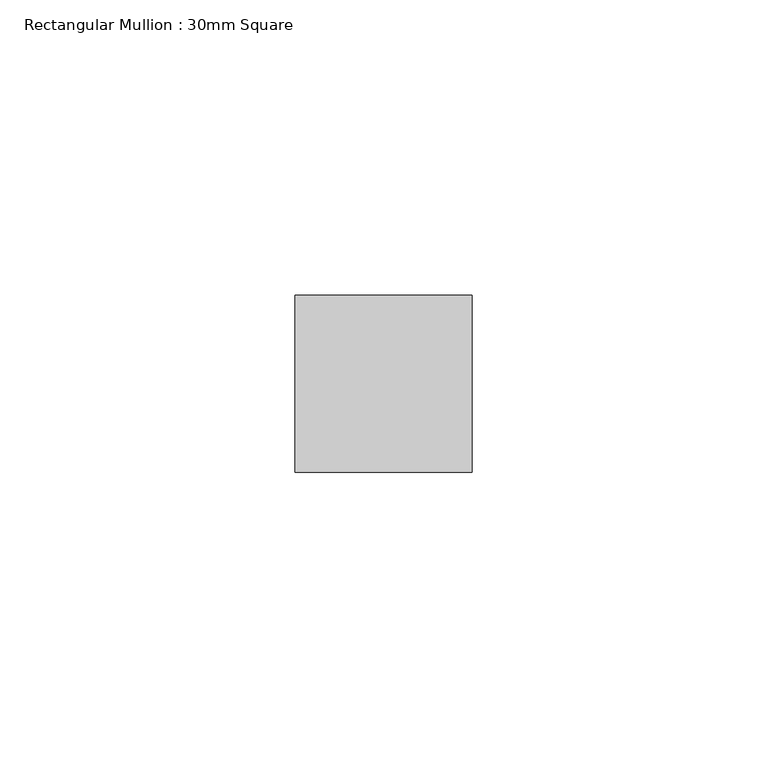
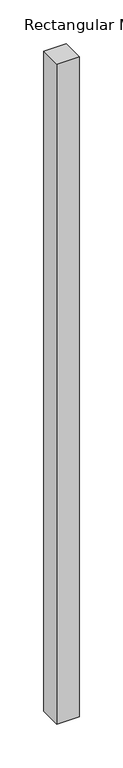
"""IFC4 building model written with IfcOpenShell, lengths in millimetres: member geometry, Rectangular Mullion : 30mm Square."""

from ifc_helpers import new_model, si_unit, frame, origin, place, context, project, spatial, polyline, outline, extrude, source, transform, mapped, element, save


def rectangular_mullion_30mm_square_f983277c(model_context):
    return source(origin(), model_context, "Body", "SweptSolid", [
        extrude(outline(polyline([(15.0, 15.0), (15.0, -15.0), (-15.0, -15.0), (-15.0, 15.0), (15.0, 15.0)])), frame((0.0, 0.0, -923.9246058), z_axis=(0.0, 0.0, 1.0), x_axis=(1.0, 0.0, 0.0)), (0.0, 0.0, 1.0), 923.9246058),
    ])


if __name__ == "__main__":
    model = new_model("IFC4")
    model_context = context("Model", 3, world=origin())
    ifc_project = project(units=[si_unit("LENGTHUNIT", "METRE", prefix="MILLI")], contexts=[model_context])
    site = spatial("IfcSite", under=ifc_project)
    building = spatial("IfcBuilding", under=site)
    placement = place(None, origin())
    rectangular_mullion_30mm_square_shape = rectangular_mullion_30mm_square_f983277c(model_context)
    element("IfcMember", 1, ObjectType="Rectangular Mullion : 30mm Square", at=placement, inside=building, context=model_context, shape_type="MappedRepresentation", body=[
        mapped(rectangular_mullion_30mm_square_shape, transform((0.0, 0.0, 0.0), x_axis=(1.0, 0.0, 0.0), y_axis=(0.0, 1.0, 0.0), z_axis=(0.0, 0.0, 1.0))),
    ])
    save(model, "model.ifc")
